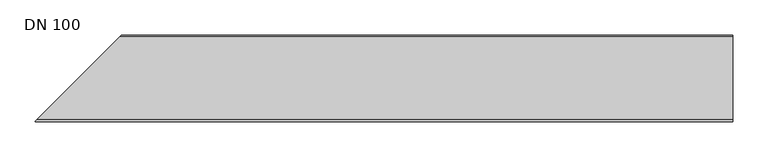
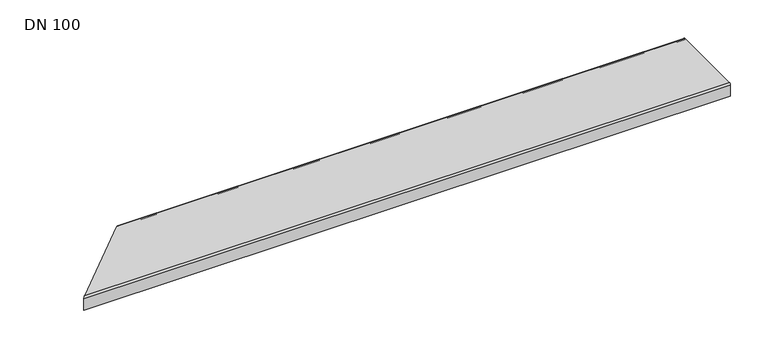
"""IFC4 building model written with IfcOpenShell, lengths in millimetres: sanitary terminal geometry, DN 100."""

from ifc_helpers import new_model, si_unit, frame, origin, place, context, project, spatial, polyline, circle_curve, ellipse_curve, source, transform, mapped, element, save
from ifc_brep_helpers import plane_surface, cylinder_surface, revolved_surface, advanced_brep


def dn_100_efb9731d(model_context):
    return source(origin(), model_context, "Body", "AdvancedBrep", [
        advanced_brep(
        [(1000.0, -61.5, -21.0), (7.0, -61.5, -21.0), (9.0, -59.5, -21.0), (1000.0, -59.5, -21.0), (1000.0, -59.5, -2.5), (1000.0, -59.0, -2.0), (1000.0, 59.0, -2.0), (1000.0, 59.5, -2.5), (1000.0, 59.5, -21.0), (1000.0, 61.5, -21.0), (1000.0, 61.5, -2.5), (1000.0, 59.0, 0.0), (1000.0, -59.0, 0.0), (1000.0, -61.5, -2.5), (9.0, -59.5, -2.5), (7.0, -61.5, -2.5), (9.5, -59.0, -2.0), (9.5, -59.0, 0.0), (127.5, 59.0, -2.0), (127.5, 59.0, 0.0), (128.0, 59.5, -2.5), (130.0, 61.5, -2.5), (128.0, 59.5, -21.0), (130.0, 61.5, -21.0)],
        [
            (0, 1),
            (1, 2),
            (2, 3),
            (3, 0),
            (3, 4),
            (4, 5, circle_curve(frame((1000.0, -59.0, -2.5), z_axis=(-1.0, 0.0, 0.0), x_axis=(0.0, -1.0, 0.0)), 0.5)),
            (5, 6),
            (6, 7, circle_curve(frame((1000.0, 59.0, -2.5), z_axis=(-1.0, 0.0, 0.0), x_axis=(0.0, 0.0, 1.0)), 0.5)),
            (7, 8),
            (8, 9),
            (9, 10),
            (10, 11, circle_curve(frame((1000.0, 59.0, -2.5), z_axis=(1.0, 0.0, 0.0), x_axis=(0.0, 0.0, 1.0)), 2.5)),
            (11, 12),
            (12, 13, circle_curve(frame((1000.0, -59.0, -2.5), z_axis=(1.0, 0.0, 0.0), x_axis=(0.0, -1.0, 0.0)), 2.5)),
            (13, 0),
            (2, 14),
            (14, 4),
            (13, 15),
            (15, 1),
            (14, 16, ellipse_curve(frame((9.5, -59.0, -2.5), z_axis=(-0.7071067811865482, 0.707106781186547, 0.0), x_axis=(0.7071067811865467, 0.7071067811865482, 0.0)), 0.7071068, 0.5)),
            (16, 5),
            (12, 17),
            (17, 15, ellipse_curve(frame((9.5, -59.0, -2.5), z_axis=(0.7071067811865482, -0.707106781186547, 0.0), x_axis=(0.7071067811865467, 0.7071067811865482, 0.0)), 3.5355339, 2.5)),
            (16, 18),
            (18, 6),
            (11, 19),
            (19, 17),
            (18, 20, ellipse_curve(frame((127.5, 59.0, -2.5), z_axis=(-0.7071067811865482, 0.707106781186547, 0.0), x_axis=(0.7071067811865467, 0.7071067811865482, 0.0)), 0.7071068, 0.5)),
            (20, 7),
            (10, 21),
            (21, 19, ellipse_curve(frame((127.5, 59.0, -2.5), z_axis=(0.7071067811865482, -0.707106781186547, 0.0), x_axis=(0.7071067811865467, 0.7071067811865482, 0.0)), 3.5355339, 2.5)),
            (8, 22),
            (22, 23),
            (23, 9),
            (20, 22),
            (23, 21),
        ],
        [
            plane_surface(frame((0.0, -61.5, -21.0), z_axis=(0.0, 0.0, -1.0), x_axis=(1.0, 0.0, 0.0))),
            plane_surface(frame((1000.0, -61.5, -21.0), z_axis=(1.0, 0.0, 0.0), x_axis=(0.0, 0.0, 1.0))),
            plane_surface(frame((1000.0, -59.5, -21.0), z_axis=(0.0, 1.0, 0.0), x_axis=(0.0, 0.0, 1.0))),
            plane_surface(frame((0.0, -61.5, -21.0), z_axis=(0.0, -1.0, 0.0), x_axis=(0.0, 0.0, 1.0))),
            revolved_surface(polyline([(1000.0, -59.5, -2.5), (8.999999986696881, -59.5, -2.5)]), (0.0, -59.0, -2.5), (1.0, 0.0, 0.0)),
            cylinder_surface(frame((0.0, -59.0, -2.5), z_axis=(1.0, 0.0, 0.0), x_axis=(0.0, -1.0, 0.0)), 2.5),
            plane_surface(frame((1000.0, -59.0, -2.0), z_axis=(0.0, 0.0, -1.0), x_axis=(0.0, 1.0, 0.0))),
            plane_surface(frame((0.0, -59.0, 0.0), z_axis=(0.0, 0.0, 1.0), x_axis=(0.0, 1.0, 0.0))),
            revolved_surface(polyline([(1000.0, 59.0, -2.0), (126.99999998669688, 59.0, -2.0)]), (0.0, 59.0, -2.5), (1.0, 0.0, 0.0)),
            cylinder_surface(frame((0.0, 59.0, -2.5), z_axis=(1.0, 0.0, 0.0), x_axis=(0.0, 0.0, 1.0)), 2.5),
            plane_surface(frame((0.0, 61.5, -21.0), z_axis=(0.0, 0.0, -1.0), x_axis=(1.0, 0.0, 0.0))),
            plane_surface(frame((1000.0, 59.5, -2.5), z_axis=(0.0, -1.0, 0.0), x_axis=(0.0, 0.0, -1.0))),
            plane_surface(frame((0.0, 61.5, -2.5), z_axis=(0.0, 1.0, 0.0), x_axis=(0.0, 0.0, -1.0))),
            plane_surface(frame((137.0, 68.5, 0.0), z_axis=(-0.7071067811865482, 0.707106781186547, 0.0), x_axis=(0.0, 0.0, -1.0))),
        ],
        [
            (0, [[1, 2, 3, 4]]),
            (1, [[5, 6, 7, 8, 9, 10, 11, 12, 13, 14, 15, -4]]),
            (2, [[-3, 16, 17, -5]]),
            (3, [[18, 19, -1, -15]]),
            (4, [[-17, 20, 21, -6]]),
            (5, [[22, 23, -18, -14]]),
            (6, [[-21, 24, 25, -7]]),
            (7, [[26, 27, -22, -13]]),
            (8, [[-25, 28, 29, -8]]),
            (9, [[30, 31, -26, -12]]),
            (10, [[32, 33, 34, -10]]),
            (11, [[-29, 35, -32, -9]]),
            (12, [[-34, 36, -30, -11]]),
            (13, [[-19, -23, -27, -31, -36, -33, -35, -28, -24, -20, -16, -2]]),
        ],
    ),
    ])


if __name__ == "__main__":
    model = new_model("IFC4")
    model_context = context("Model", 3, world=origin())
    ifc_project = project(units=[si_unit("LENGTHUNIT", "METRE", prefix="MILLI")], contexts=[model_context])
    site = spatial("IfcSite", under=ifc_project)
    building = spatial("IfcBuilding", under=site)
    placement = place(None, origin())
    dn_100_shape = dn_100_efb9731d(model_context)
    element("IfcSanitaryTerminal", 1, ObjectType="DN 100", at=placement, inside=building, context=model_context, shape_type="MappedRepresentation", body=[
        mapped(dn_100_shape, transform((0.0, 0.0, 0.0), x_axis=(1.0, 0.0, 0.0), y_axis=(0.0, 1.0, 0.0), z_axis=(0.0, 0.0, 1.0))),
    ])
    save(model, "model.ifc")
